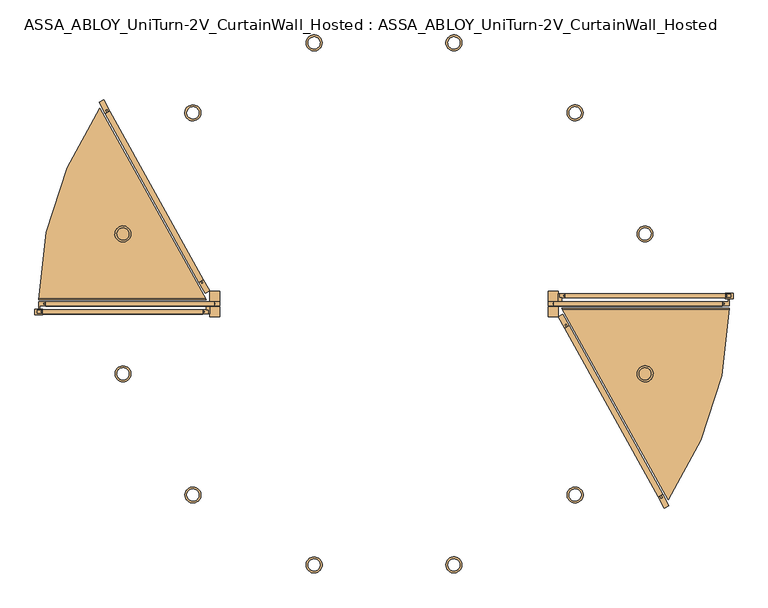
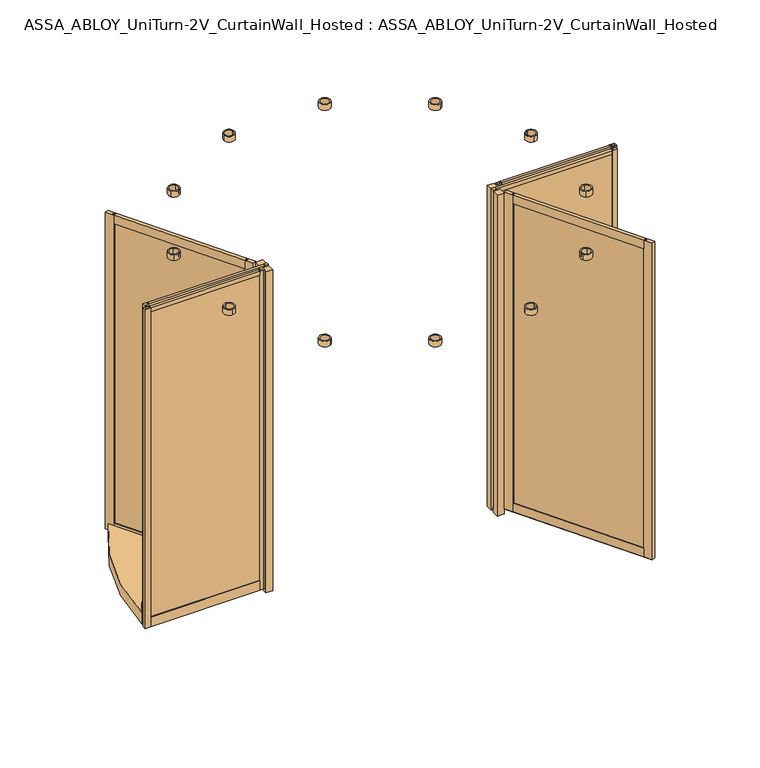
"""IFC4 building model written with IfcOpenShell, lengths in millimetres: door geometry, ASSA_ABLOY_UniTurn-2V_CurtainWall_Hosted : ASSA_ABLOY_UniTurn-2V_CurtainWall_Hosted."""

from ifc_helpers import new_model, si_unit, point, frame, frame_2d, origin, origin_with_axes, origin_2d, place, context, project, spatial, polyline, circle_curve, trimmed, segment, composite_curve, outline, extrude, source, transform, mapped, element, save


def assa_abloy_uniturn_2v_curtainwall_hosted_assa_abloy_uniturn_916e587c(model_context):
    return source(origin(), model_context, "Body", "SweptSolid", [
        extrude(outline(polyline([(1392.1036064, -967.6674676), (1383.3574093, -972.5155638), (902.349627, -104.7545538), (911.0958241, -99.9064576), (1392.1036064, -967.6674676)])), frame((0.0, 0.0, 90.0), z_axis=(0.0, 0.0, 1.0), x_axis=(1.0, 0.0, 0.0)), (0.0, 0.0, 1.0), 2343.0),
        extrude(outline(polyline([(-26.0, 0.0), (0.0, 0.0), (0.0, -65.0), (-7.9999999, -65.0), (-7.9999999, -50.0), (-17.9999999, -50.0), (-17.9999999, -65.0), (-26.0, -65.0), (-26.0, 0.0)])), frame((1369.0883074, -963.2747451, 2483.0), z_axis=(-0.48480962024633434, 0.8746197071393974, 0.0), x_axis=(-0.8746197071393974, -0.48480962024633434, 0.0)), (0.0, 0.0, 1.0), 962.1580806),
        extrude(outline(polyline([(-65.0, 0.0), (0.0, 0.0), (0.0, -26.0), (-65.0, -26.0), (-65.0, -17.9999999), (-50.0, -17.9999999), (-50.0, -7.9999999), (-65.0, -7.9999999), (-65.0, 0.0)])), frame((1369.0883074, -963.2747451, 40.0), z_axis=(-0.48480962024633434, 0.8746197071393974, 0.0), x_axis=(0.0, 0.0, -1.0)), (0.0, 0.0, 1.0), 962.1580806),
        extrude(outline(polyline([(1369.0883074, -963.2747451), (1376.085265, -959.3962682), (1383.3574093, -972.5155638), (1392.1036064, -967.6674676), (1384.8314621, -954.548172), (1391.8284198, -950.669695), (1423.3410451, -1007.519976), (1400.6009327, -1020.1250261), (1369.0883074, -963.2747451)])), frame((0.0, 0.0, 40.0), z_axis=(0.0, 0.0, 1.0), x_axis=(1.0, 0.0, 0.0)), (0.0, 0.0, 1.0), 2443.0),
        extrude(outline(polyline([(902.6248137, -121.7523264), (871.1121884, -64.9020454), (893.8523007, -52.2969953), (925.3649261, -109.1472763), (918.3679684, -113.0257532), (911.0958241, -99.9064576), (902.349627, -104.7545538), (909.6217713, -117.8738494), (902.6248137, -121.7523264)])), frame((0.0, 0.0, 40.0), z_axis=(0.0, 0.0, 1.0), x_axis=(1.0, 0.0, 0.0)), (0.0, 0.0, 1.0), 2443.0),
        extrude(outline(polyline([(870.0, 50.0), (876.0, 50.0), (876.0, 30.0), (887.75, 30.0), (887.75, 13.0), (870.0, 13.0), (870.0, 50.0)])), frame((0.0, 0.0, 24.0), z_axis=(0.0, 0.0, 1.0), x_axis=(1.0, 0.0, 0.0)), (0.0, 0.0, 1.0), 2462.0),
        extrude(outline(polyline([(1734.0, 50.0), (1704.0, 50.0), (1704.0, 54.5), (1744.0, 54.5), (1744.0, 27.0), (1704.0, 27.0), (1704.0, 30.0), (1734.0, 30.0), (1734.0, 50.0)])), frame((0.0, 0.0, 24.0), z_axis=(0.0, 0.0, 1.0), x_axis=(1.0, 0.0, 0.0)), (0.0, 0.0, 1.0), 2462.0),
        extrude(outline(polyline([(35.0, 86.0), (45.0, 86.0), (45.0, 97.0), (50.0, 97.0), (50.0, 24.0), (48.275, 24.0), (48.275, 34.35), (31.725, 34.35), (31.725, 24.0), (30.0, 24.0), (30.0, 97.0), (35.0, 97.0), (35.0, 86.0)])), frame((906.0, 0.0, 0.0), z_axis=(1.0, 0.0, 0.0), x_axis=(0.0, 1.0, 0.0)), (0.0, 0.0, 1.0), 798.0),
        extrude(outline(polyline([(1715.5, 45.0), (1715.5, 35.0), (894.5, 35.0), (894.5, 45.0), (1715.5, 45.0)])), frame((0.0, 0.0, 86.0), z_axis=(0.0, 0.0, 1.0), x_axis=(1.0, 0.0, 0.0)), (0.0, 0.0, 1.0), 2381.5),
        extrude(outline(polyline([(50.0, 2486.0), (50.0, 2456.0), (45.0, 2456.0), (45.0, 2467.5), (35.0, 2467.5), (35.0, 2456.0), (30.0, 2456.0), (30.0, 2486.0), (50.0, 2486.0)])), frame((906.0, 0.0, 0.0), z_axis=(1.0, 0.0, 0.0), x_axis=(0.0, 1.0, 0.0)), (0.0, 0.0, 1.0), 798.0),
        extrude(outline(polyline([(1704.0, 30.0), (1704.0, 35.0), (1715.5, 35.0), (1715.5, 45.0), (1704.0, 45.0), (1704.0, 50.0), (1734.0, 50.0), (1734.0, 30.0), (1704.0, 30.0)])), frame((0.0, 0.0, 24.0), z_axis=(0.0, 0.0, 1.0), x_axis=(1.0, 0.0, 0.0)), (0.0, 0.0, 1.0), 2462.0),
        extrude(outline(polyline([(906.0, 30.0), (876.0, 30.0), (876.0, 50.0), (906.0, 50.0), (906.0, 45.0), (894.5, 45.0), (894.5, 35.0), (906.0, 35.0), (906.0, 30.0)])), frame((0.0, 0.0, 24.0), z_axis=(0.0, 0.0, 1.0), x_axis=(1.0, 0.0, 0.0)), (0.0, 0.0, 1.0), 2462.0),
        extrude(outline(polyline([(-1701.5, -5.0), (-1701.5, 5.0), (-843.5, 5.0), (-843.5, -5.0), (-1701.5, -5.0)])), frame((0.0, 0.0, 63.0), z_axis=(0.0, 0.0, 1.0), x_axis=(1.0, 0.0, 0.0)), (0.0, 0.0, 1.0), 2404.5),
        extrude(outline(polyline([(-10.0, 2486.0), (10.0, 2486.0), (10.0, 2456.0), (5.0, 2456.0), (5.0, 2467.5), (-5.0, 2467.5), (-5.0, 2456.0), (-10.0, 2456.0), (-10.0, 2486.0)])), frame((-1690.0, 0.0, 0.0), z_axis=(1.0, 0.0, 0.0), x_axis=(0.0, 1.0, 0.0)), (0.0, 0.0, 1.0), 842.0),
        extrude(outline(polyline([(10.0, 74.0), (10.0, 24.0), (8.15, 24.0), (8.15, 34.5), (-8.15, 34.5), (-8.15, 24.0), (-10.0, 24.0), (-10.0, 74.0), (-5.0, 74.0), (-5.0, 63.0), (5.0, 63.0), (5.0, 74.0), (10.0, 74.0)])), frame((-1690.0, 0.0, 0.0), z_axis=(1.0, 0.0, 0.0), x_axis=(0.0, 1.0, 0.0)), (0.0, 0.0, 1.0), 842.0),
        extrude(outline(polyline([(-1690.0, 10.0), (-1690.0, 5.0), (-1701.5, 5.0), (-1701.5, -5.0), (-1690.0, -5.0), (-1690.0, -10.0), (-1719.0, -10.0), (-1719.0, -24.75), (-1726.0, -24.75), (-1726.0, 10.0), (-1690.0, 10.0)])), frame((0.0, 0.0, 24.0), z_axis=(0.0, 0.0, 1.0), x_axis=(1.0, 0.0, 0.0)), (0.0, 0.0, 1.0), 2462.0),
        extrude(outline(polyline([(-848.0, 10.0), (-820.0, 10.0), (-820.0, -10.0), (-848.0, -10.0), (-848.0, -5.0), (-843.5, -5.0), (-843.5, 5.0), (-848.0, 5.0), (-848.0, 10.0)])), frame((0.0, 0.0, 24.0), z_axis=(0.0, 0.0, 1.0), x_axis=(1.0, 0.0, 0.0)), (0.0, 0.0, 1.0), 2462.0),
        extrude(outline(polyline([(-1392.1036064, 967.6674676), (-1383.3574093, 972.5155638), (-902.349627, 104.7545538), (-911.0958241, 99.9064576), (-1392.1036064, 967.6674676)])), frame((0.0, 0.0, 90.0), z_axis=(0.0, 0.0, 1.0), x_axis=(1.0, 0.0, 0.0)), (0.0, 0.0, 1.0), 2343.0),
        extrude(outline(polyline([(26.0, 0.0), (26.0, -65.0), (18.0, -65.0), (18.0, -50.0), (8.0, -50.0), (8.0, -65.0), (0.0, -65.0), (0.0, 0.0), (26.0, 0.0)])), frame((-902.6248137, 121.7523264, 2483.0), z_axis=(-0.48480962024633434, 0.8746197071393974, 0.0), x_axis=(-0.8746197071393974, -0.48480962024633434, 0.0)), (0.0, 0.0, 1.0), 962.1580806),
        extrude(outline(polyline([(65.0, 0.0), (65.0, -8.0), (50.0, -8.0), (50.0, -18.0), (65.0, -18.0), (65.0, -26.0), (0.0, -26.0), (0.0, 0.0), (65.0, 0.0)])), frame((-902.6248137, 121.7523264, 40.0), z_axis=(-0.48480962024633434, 0.8746197071393974, 0.0), x_axis=(0.0, 0.0, 1.0)), (0.0, 0.0, 1.0), 962.1580806),
        extrude(outline(polyline([(-1369.0883074, 963.2747451), (-1376.085265, 959.3962682), (-1383.3574093, 972.5155638), (-1392.1036064, 967.6674676), (-1384.8314621, 954.548172), (-1391.8284198, 950.669695), (-1423.3410451, 1007.519976), (-1400.6009327, 1020.1250261), (-1369.0883074, 963.2747451)])), frame((0.0, 0.0, 40.0), z_axis=(0.0, 0.0, 1.0), x_axis=(1.0, 0.0, 0.0)), (0.0, 0.0, 1.0), 2443.0),
        extrude(outline(polyline([(-902.6248137, 121.7523264), (-871.1121884, 64.9020454), (-893.8523007, 52.2969953), (-925.3649261, 109.1472763), (-918.3679684, 113.0257532), (-911.0958241, 99.9064576), (-902.349627, 104.7545538), (-909.6217713, 117.8738494), (-902.6248137, 121.7523264)])), frame((0.0, 0.0, 40.0), z_axis=(0.0, 0.0, 1.0), x_axis=(1.0, 0.0, 0.0)), (0.0, 0.0, 1.0), 2443.0),
        extrude(outline(polyline([(-870.0, -50.0), (-876.0, -50.0), (-876.0, -30.0), (-887.75, -30.0), (-887.75, -13.0), (-870.0, -13.0), (-870.0, -50.0)])), frame((0.0, 0.0, 24.0), z_axis=(0.0, 0.0, 1.0), x_axis=(1.0, 0.0, 0.0)), (0.0, 0.0, 1.0), 2462.0),
        extrude(outline(polyline([(-1734.0, -50.0), (-1704.0, -50.0), (-1704.0, -54.5), (-1744.0, -54.5), (-1744.0, -27.0), (-1704.0, -27.0), (-1704.0, -30.0), (-1734.0, -30.0), (-1734.0, -50.0)])), frame((0.0, 0.0, 24.0), z_axis=(0.0, 0.0, 1.0), x_axis=(1.0, 0.0, 0.0)), (0.0, 0.0, 1.0), 2462.0),
        extrude(outline(polyline([(-35.0, 86.0), (-35.0, 97.0), (-30.0, 97.0), (-30.0, 24.0), (-31.725, 24.0), (-31.725, 34.35), (-48.275, 34.35), (-48.275, 24.0), (-50.0, 24.0), (-50.0, 97.0), (-45.0, 97.0), (-45.0, 86.0), (-35.0, 86.0)])), frame((-1704.0, 0.0, 0.0), z_axis=(1.0, 0.0, 0.0), x_axis=(0.0, 1.0, 0.0)), (0.0, 0.0, 1.0), 798.0),
        extrude(outline(polyline([(-1715.5, -45.0), (-1715.5, -35.0), (-894.5, -35.0), (-894.5, -45.0), (-1715.5, -45.0)])), frame((0.0, 0.0, 86.0), z_axis=(0.0, 0.0, 1.0), x_axis=(1.0, 0.0, 0.0)), (0.0, 0.0, 1.0), 2381.5),
        extrude(outline(polyline([(-50.0, 2486.0), (-30.0, 2486.0), (-30.0, 2456.0), (-35.0, 2456.0), (-35.0, 2467.5), (-45.0, 2467.5), (-45.0, 2456.0), (-50.0, 2456.0), (-50.0, 2486.0)])), frame((-1704.0, 0.0, 0.0), z_axis=(1.0, 0.0, 0.0), x_axis=(0.0, 1.0, 0.0)), (0.0, 0.0, 1.0), 798.0),
        extrude(outline(polyline([(-1704.0, -30.0), (-1704.0, -35.0), (-1715.5, -35.0), (-1715.5, -45.0), (-1704.0, -45.0), (-1704.0, -50.0), (-1734.0, -50.0), (-1734.0, -30.0), (-1704.0, -30.0)])), frame((0.0, 0.0, 24.0), z_axis=(0.0, 0.0, 1.0), x_axis=(1.0, 0.0, 0.0)), (0.0, 0.0, 1.0), 2462.0),
        extrude(outline(polyline([(-906.0, -30.0), (-876.0, -30.0), (-876.0, -50.0), (-906.0, -50.0), (-906.0, -45.0), (-894.5, -45.0), (-894.5, -35.0), (-906.0, -35.0), (-906.0, -30.0)])), frame((0.0, 0.0, 24.0), z_axis=(0.0, 0.0, 1.0), x_axis=(1.0, 0.0, 0.0)), (0.0, 0.0, 1.0), 2462.0),
        extrude(outline(polyline([(1701.5, 5.0), (1701.5, -5.0), (843.5, -5.0), (843.5, 5.0), (1701.5, 5.0)])), frame((0.0, 0.0, 63.0), z_axis=(0.0, 0.0, 1.0), x_axis=(1.0, 0.0, 0.0)), (0.0, 0.0, 1.0), 2404.5),
        extrude(outline(polyline([(10.0, 2486.0), (10.0, 2456.0), (5.0, 2456.0), (5.0, 2467.5), (-5.0, 2467.5), (-5.0, 2456.0), (-10.0, 2456.0), (-10.0, 2486.0), (10.0, 2486.0)])), frame((848.0, 0.0, 0.0), z_axis=(1.0, 0.0, 0.0), x_axis=(0.0, 1.0, 0.0)), (0.0, 0.0, 1.0), 842.0),
        extrude(outline(polyline([(-10.0, 74.0), (-5.0, 74.0), (-5.0, 63.0), (5.0, 63.0), (5.0, 74.0), (10.0, 74.0), (10.0, 24.0), (8.15, 24.0), (8.15, 34.5), (-8.15, 34.5), (-8.15, 24.0), (-10.0, 24.0), (-10.0, 74.0)])), frame((848.0, 0.0, 0.0), z_axis=(1.0, 0.0, 0.0), x_axis=(0.0, 1.0, 0.0)), (0.0, 0.0, 1.0), 842.0),
        extrude(outline(polyline([(1690.0, -10.0), (1690.0, -5.0), (1701.5, -5.0), (1701.5, 5.0), (1690.0, 5.0), (1690.0, 10.0), (1719.0, 10.0), (1719.0, 24.75), (1726.0, 24.75), (1726.0, -10.0), (1690.0, -10.0)])), frame((0.0, 0.0, 24.0), z_axis=(0.0, 0.0, 1.0), x_axis=(1.0, 0.0, 0.0)), (0.0, 0.0, 1.0), 2462.0),
        extrude(outline(polyline([(848.0, -10.0), (820.0, -10.0), (820.0, 10.0), (848.0, 10.0), (848.0, 5.0), (843.5, 5.0), (843.5, -5.0), (848.0, -5.0), (848.0, -10.0)])), frame((0.0, 0.0, 24.0), z_axis=(0.0, 0.0, 1.0), x_axis=(1.0, 0.0, 0.0)), (0.0, 0.0, 1.0), 2462.0),
        extrude(outline(composite_curve([segment(trimmed(circle_curve(origin_2d(), 1724.0), [point((1723.8839868, -20.0))], [point((1723.818726, -25.0))], False, "CARTESIAN"), True, "CONTINUOUS"), segment(polyline([(1723.818726, -25.0), (890.1548698, -25.0), (887.3833246, -20.0), (1723.8839868, -20.0)]), True, "CONTINUOUS")], self_intersect=False)), frame((0.0, 0.0, 95.0), z_axis=(0.0, 0.0, 1.0), x_axis=(1.0, 0.0, 0.0)), (0.0, 0.0, 1.0), 75.0),
        extrude(outline(composite_curve([segment(trimmed(circle_curve(origin_2d(), 1724.0), [point((-1723.8839868, 20.0))], [point((-1723.7922237, 26.765081))], False, "CARTESIAN"), True, "CONTINUOUS"), segment(polyline([(-1723.7922237, 26.765081), (-891.1332702, 26.765081), (-887.3833246, 20.0), (-1723.8839868, 20.0)]), True, "CONTINUOUS")], self_intersect=False)), frame((0.0, 0.0, 95.0), z_axis=(0.0, 0.0, 1.0), x_axis=(1.0, 0.0, 0.0)), (0.0, 0.0, 1.0), 75.0),
        extrude(outline(composite_curve([segment(polyline([(1419.0082967, -979.0768376), (887.3833246, -20.0), (1723.8839868, -20.0)]), True, "CONTINUOUS"), segment(trimmed(circle_curve(origin_2d(), 1724.0), [point((1723.8839868, -20.0))], [point((1419.0082967, -979.0768376))], False, "CARTESIAN"), True, "CONTINUOUS")], self_intersect=False)), frame((0.0, 0.0, 8.0), z_axis=(0.0, 0.0, 1.0), x_axis=(1.0, 0.0, 0.0)), (0.0, 0.0, 1.0), 87.0),
        extrude(outline(composite_curve([segment(trimmed(circle_curve(origin_2d(), 1724.0), [point((-1723.8839868, 20.0))], [point((-1419.0082967, 979.0768376))], False, "CARTESIAN"), True, "CONTINUOUS"), segment(polyline([(-1419.0082967, 979.0768376), (-887.3833246, 20.0), (-1723.8839868, 20.0)]), True, "CONTINUOUS")], self_intersect=False)), frame((0.0, 0.0, 8.0), z_axis=(0.0, 0.0, 1.0), x_axis=(1.0, 0.0, 0.0)), (0.0, 0.0, 1.0), 87.0),
        extrude(outline(polyline([(820.0, 13.0), (820.0, 63.0), (870.0, 63.0), (870.0, 13.0), (820.0, 13.0)])), origin_with_axes(), (0.0, 0.0, 1.0), 2477.0),
        extrude(outline(polyline([(820.0, -63.0), (820.0, -13.0), (870.0, -13.0), (870.0, -63.0), (820.0, -63.0)])), origin_with_axes(), (0.0, 0.0, 1.0), 2477.0),
        extrude(outline(polyline([(-870.0, -63.0), (-870.0, -13.0), (-820.0, -13.0), (-820.0, -63.0), (-870.0, -63.0)])), origin_with_axes(), (0.0, 0.0, 1.0), 2477.0),
        extrude(outline(polyline([(-870.0, 13.0), (-870.0, 63.0), (-820.0, 63.0), (-820.0, 13.0), (-870.0, 13.0)])), origin_with_axes(), (0.0, 0.0, 1.0), 2477.0),
        extrude(outline(composite_curve([segment(trimmed(circle_curve(frame_2d((-954.5941546, -954.5941546)), 40.0), [point((-934.5941546, -989.2351708))], [point((-974.5941546, -919.9531385))], False, "CARTESIAN"), True, "CONTINUOUS"), segment(trimmed(circle_curve(frame_2d((-954.5941546, -954.5941546)), 40.0), [point((-974.5941546, -919.9531385))], [point((-934.5941546, -989.2351708))], False, "CARTESIAN"), True, "CONTINUOUS")], self_intersect=False), holes=[composite_curve([segment(trimmed(circle_curve(frame_2d((-954.5941546, -954.5941546)), 30.0), [point((-975.807358, -933.3809512))], [point((-933.3809512, -975.807358))], True, "CARTESIAN"), True, "CONTINUOUS"), segment(trimmed(circle_curve(frame_2d((-954.5941546, -954.5941546)), 30.0), [point((-933.3809512, -975.807358))], [point((-975.807358, -933.3809512))], True, "CARTESIAN"), True, "CONTINUOUS")], self_intersect=False)]), frame((0.0, 0.0, 2496.2), z_axis=(0.0, 0.0, 1.0), x_axis=(1.0, 0.0, 0.0)), (0.0, 0.0, 1.0), 42.8),
        extrude(outline(composite_curve([segment(trimmed(circle_curve(frame_2d((-1303.9998655, -349.4057109)), 40.0), [point((-1303.9998655, -389.4057109))], [point((-1303.9998655, -309.4057109))], False, "CARTESIAN"), True, "CONTINUOUS"), segment(trimmed(circle_curve(frame_2d((-1303.9998655, -349.4057109)), 40.0), [point((-1303.9998655, -309.4057109))], [point((-1303.9998655, -389.4057109))], False, "CARTESIAN"), True, "CONTINUOUS")], self_intersect=False), holes=[composite_curve([segment(trimmed(circle_curve(frame_2d((-1303.9998655, -349.4057109)), 30.0), [point((-1311.7644368, -320.4279361))], [point((-1296.2352941, -378.3834857))], True, "CARTESIAN"), True, "CONTINUOUS"), segment(trimmed(circle_curve(frame_2d((-1303.9998655, -349.4057109)), 30.0), [point((-1296.2352941, -378.3834857))], [point((-1311.7644368, -320.4279361))], True, "CARTESIAN"), True, "CONTINUOUS")], self_intersect=False)]), frame((0.0, 0.0, 2496.2), z_axis=(0.0, 0.0, 1.0), x_axis=(1.0, 0.0, 0.0)), (0.0, 0.0, 1.0), 42.8),
        extrude(outline(composite_curve([segment(trimmed(circle_curve(frame_2d((-1303.9998655, 349.4057109)), 40.0), [point((-1323.9998655, 314.7646947))], [point((-1283.9998655, 384.046727))], False, "CARTESIAN"), True, "CONTINUOUS"), segment(trimmed(circle_curve(frame_2d((-1303.9998655, 349.4057109)), 40.0), [point((-1283.9998655, 384.046727))], [point((-1323.9998655, 314.7646947))], False, "CARTESIAN"), True, "CONTINUOUS")], self_intersect=False), holes=[composite_curve([segment(trimmed(circle_curve(frame_2d((-1303.9998655, 349.4057109)), 30.0), [point((-1296.2352941, 378.3834857))], [point((-1311.7644368, 320.4279361))], True, "CARTESIAN"), True, "CONTINUOUS"), segment(trimmed(circle_curve(frame_2d((-1303.9998655, 349.4057109)), 30.0), [point((-1311.7644368, 320.4279361))], [point((-1296.2352941, 378.3834857))], True, "CARTESIAN"), True, "CONTINUOUS")], self_intersect=False)]), frame((0.0, 0.0, 2496.2), z_axis=(0.0, 0.0, 1.0), x_axis=(1.0, 0.0, 0.0)), (0.0, 0.0, 1.0), 42.8),
        extrude(outline(composite_curve([segment(trimmed(circle_curve(frame_2d((-954.5941546, 954.5941546)), 40.0), [point((-989.2351708, 934.5941546))], [point((-919.9531385, 974.5941546))], False, "CARTESIAN"), True, "CONTINUOUS"), segment(trimmed(circle_curve(frame_2d((-954.5941546, 954.5941546)), 40.0), [point((-919.9531385, 974.5941546))], [point((-989.2351708, 934.5941546))], False, "CARTESIAN"), True, "CONTINUOUS")], self_intersect=False), holes=[composite_curve([segment(trimmed(circle_curve(frame_2d((-954.5941546, 954.5941546)), 30.0), [point((-933.3809512, 975.807358))], [point((-975.807358, 933.3809512))], True, "CARTESIAN"), True, "CONTINUOUS"), segment(trimmed(circle_curve(frame_2d((-954.5941546, 954.5941546)), 30.0), [point((-975.807358, 933.3809512))], [point((-933.3809512, 975.807358))], True, "CARTESIAN"), True, "CONTINUOUS")], self_intersect=False)]), frame((0.0, 0.0, 2496.2), z_axis=(0.0, 0.0, 1.0), x_axis=(1.0, 0.0, 0.0)), (0.0, 0.0, 1.0), 42.8),
        extrude(outline(composite_curve([segment(trimmed(circle_curve(frame_2d((-349.4057109, 1303.9998655)), 40.0), [point((-389.4057109, 1303.9998655))], [point((-309.4057109, 1303.9998655))], False, "CARTESIAN"), True, "CONTINUOUS"), segment(trimmed(circle_curve(frame_2d((-349.4057109, 1303.9998655)), 40.0), [point((-309.4057109, 1303.9998655))], [point((-389.4057109, 1303.9998655))], False, "CARTESIAN"), True, "CONTINUOUS")], self_intersect=False), holes=[composite_curve([segment(trimmed(circle_curve(frame_2d((-349.4057109, 1303.9998655)), 30.0), [point((-320.4279361, 1311.7644368))], [point((-378.3834857, 1296.2352941))], True, "CARTESIAN"), True, "CONTINUOUS"), segment(trimmed(circle_curve(frame_2d((-349.4057109, 1303.9998655)), 30.0), [point((-378.3834857, 1296.2352941))], [point((-320.4279361, 1311.7644368))], True, "CARTESIAN"), True, "CONTINUOUS")], self_intersect=False)]), frame((0.0, 0.0, 2496.2), z_axis=(0.0, 0.0, 1.0), x_axis=(1.0, 0.0, 0.0)), (0.0, 0.0, 1.0), 42.8),
        extrude(outline(composite_curve([segment(trimmed(circle_curve(frame_2d((349.4057109, 1303.9998655)), 40.0), [point((314.7646947, 1323.9998655))], [point((384.046727, 1283.9998655))], False, "CARTESIAN"), True, "CONTINUOUS"), segment(trimmed(circle_curve(frame_2d((349.4057109, 1303.9998655)), 40.0), [point((384.046727, 1283.9998655))], [point((314.7646947, 1323.9998655))], False, "CARTESIAN"), True, "CONTINUOUS")], self_intersect=False), holes=[composite_curve([segment(trimmed(circle_curve(frame_2d((349.4057109, 1303.9998655)), 30.0), [point((378.3834857, 1296.2352941))], [point((320.4279361, 1311.7644368))], True, "CARTESIAN"), True, "CONTINUOUS"), segment(trimmed(circle_curve(frame_2d((349.4057109, 1303.9998655)), 30.0), [point((320.4279361, 1311.7644368))], [point((378.3834857, 1296.2352941))], True, "CARTESIAN"), True, "CONTINUOUS")], self_intersect=False)]), frame((0.0, 0.0, 2496.2), z_axis=(0.0, 0.0, 1.0), x_axis=(1.0, 0.0, 0.0)), (0.0, 0.0, 1.0), 42.8),
        extrude(outline(composite_curve([segment(trimmed(circle_curve(frame_2d((954.5941546, 954.5941546)), 40.0), [point((934.5941546, 989.2351708))], [point((974.5941546, 919.9531385))], False, "CARTESIAN"), True, "CONTINUOUS"), segment(trimmed(circle_curve(frame_2d((954.5941546, 954.5941546)), 40.0), [point((974.5941546, 919.9531385))], [point((934.5941546, 989.2351708))], False, "CARTESIAN"), True, "CONTINUOUS")], self_intersect=False), holes=[composite_curve([segment(trimmed(circle_curve(frame_2d((954.5941546, 954.5941546)), 30.0), [point((975.807358, 933.3809512))], [point((933.3809512, 975.807358))], True, "CARTESIAN"), True, "CONTINUOUS"), segment(trimmed(circle_curve(frame_2d((954.5941546, 954.5941546)), 30.0), [point((933.3809512, 975.807358))], [point((975.807358, 933.3809512))], True, "CARTESIAN"), True, "CONTINUOUS")], self_intersect=False)]), frame((0.0, 0.0, 2496.2), z_axis=(0.0, 0.0, 1.0), x_axis=(1.0, 0.0, 0.0)), (0.0, 0.0, 1.0), 42.8),
        extrude(outline(composite_curve([segment(trimmed(circle_curve(frame_2d((1303.9998655, 349.4057109)), 40.0), [point((1303.9998655, 389.4057109))], [point((1303.9998655, 309.4057109))], False, "CARTESIAN"), True, "CONTINUOUS"), segment(trimmed(circle_curve(frame_2d((1303.9998655, 349.4057109)), 40.0), [point((1303.9998655, 309.4057109))], [point((1303.9998655, 389.4057109))], False, "CARTESIAN"), True, "CONTINUOUS")], self_intersect=False), holes=[composite_curve([segment(trimmed(circle_curve(frame_2d((1303.9998655, 349.4057109)), 30.0), [point((1311.7644368, 320.4279361))], [point((1296.2352941, 378.3834857))], True, "CARTESIAN"), True, "CONTINUOUS"), segment(trimmed(circle_curve(frame_2d((1303.9998655, 349.4057109)), 30.0), [point((1296.2352941, 378.3834857))], [point((1311.7644368, 320.4279361))], True, "CARTESIAN"), True, "CONTINUOUS")], self_intersect=False)]), frame((0.0, 0.0, 2496.2), z_axis=(0.0, 0.0, 1.0), x_axis=(1.0, 0.0, 0.0)), (0.0, 0.0, 1.0), 42.8),
        extrude(outline(composite_curve([segment(trimmed(circle_curve(frame_2d((1303.9998655, -349.4057109)), 40.0), [point((1323.9998655, -314.7646947))], [point((1283.9998655, -384.046727))], False, "CARTESIAN"), True, "CONTINUOUS"), segment(trimmed(circle_curve(frame_2d((1303.9998655, -349.4057109)), 40.0), [point((1283.9998655, -384.046727))], [point((1323.9998655, -314.7646947))], False, "CARTESIAN"), True, "CONTINUOUS")], self_intersect=False), holes=[composite_curve([segment(trimmed(circle_curve(frame_2d((1303.9998655, -349.4057109)), 30.0), [point((1296.2352941, -378.3834857))], [point((1311.7644368, -320.4279361))], True, "CARTESIAN"), True, "CONTINUOUS"), segment(trimmed(circle_curve(frame_2d((1303.9998655, -349.4057109)), 30.0), [point((1311.7644368, -320.4279361))], [point((1296.2352941, -378.3834857))], True, "CARTESIAN"), True, "CONTINUOUS")], self_intersect=False)]), frame((0.0, 0.0, 2496.2), z_axis=(0.0, 0.0, 1.0), x_axis=(1.0, 0.0, 0.0)), (0.0, 0.0, 1.0), 42.8),
        extrude(outline(composite_curve([segment(trimmed(circle_curve(frame_2d((954.5941546, -954.5941546)), 40.0), [point((989.2351708, -934.5941546))], [point((919.9531385, -974.5941546))], False, "CARTESIAN"), True, "CONTINUOUS"), segment(trimmed(circle_curve(frame_2d((954.5941546, -954.5941546)), 40.0), [point((919.9531385, -974.5941546))], [point((989.2351708, -934.5941546))], False, "CARTESIAN"), True, "CONTINUOUS")], self_intersect=False), holes=[composite_curve([segment(trimmed(circle_curve(frame_2d((954.5941546, -954.5941546)), 30.0), [point((933.3809512, -975.807358))], [point((975.807358, -933.3809512))], True, "CARTESIAN"), True, "CONTINUOUS"), segment(trimmed(circle_curve(frame_2d((954.5941546, -954.5941546)), 30.0), [point((975.807358, -933.3809512))], [point((933.3809512, -975.807358))], True, "CARTESIAN"), True, "CONTINUOUS")], self_intersect=False)]), frame((0.0, 0.0, 2496.2), z_axis=(0.0, 0.0, 1.0), x_axis=(1.0, 0.0, 0.0)), (0.0, 0.0, 1.0), 42.8),
        extrude(outline(composite_curve([segment(trimmed(circle_curve(frame_2d((349.4057109, -1303.9998655)), 40.0), [point((389.4057109, -1303.9998655))], [point((309.4057109, -1303.9998655))], False, "CARTESIAN"), True, "CONTINUOUS"), segment(trimmed(circle_curve(frame_2d((349.4057109, -1303.9998655)), 40.0), [point((309.4057109, -1303.9998655))], [point((389.4057109, -1303.9998655))], False, "CARTESIAN"), True, "CONTINUOUS")], self_intersect=False), holes=[composite_curve([segment(trimmed(circle_curve(frame_2d((349.4057109, -1303.9998655)), 30.0), [point((320.4279361, -1311.7644368))], [point((378.3834857, -1296.2352941))], True, "CARTESIAN"), True, "CONTINUOUS"), segment(trimmed(circle_curve(frame_2d((349.4057109, -1303.9998655)), 30.0), [point((378.3834857, -1296.2352941))], [point((320.4279361, -1311.7644368))], True, "CARTESIAN"), True, "CONTINUOUS")], self_intersect=False)]), frame((0.0, 0.0, 2496.2), z_axis=(0.0, 0.0, 1.0), x_axis=(1.0, 0.0, 0.0)), (0.0, 0.0, 1.0), 42.8),
        extrude(outline(composite_curve([segment(trimmed(circle_curve(frame_2d((-349.4057109, -1303.9998655)), 40.0), [point((-314.7646947, -1323.9998655))], [point((-384.046727, -1283.9998655))], False, "CARTESIAN"), True, "CONTINUOUS"), segment(trimmed(circle_curve(frame_2d((-349.4057109, -1303.9998655)), 40.0), [point((-384.046727, -1283.9998655))], [point((-314.7646947, -1323.9998655))], False, "CARTESIAN"), True, "CONTINUOUS")], self_intersect=False), holes=[composite_curve([segment(trimmed(circle_curve(frame_2d((-349.4057109, -1303.9998655)), 30.0), [point((-378.3834857, -1296.2352941))], [point((-320.4279361, -1311.7644368))], True, "CARTESIAN"), True, "CONTINUOUS"), segment(trimmed(circle_curve(frame_2d((-349.4057109, -1303.9998655)), 30.0), [point((-320.4279361, -1311.7644368))], [point((-378.3834857, -1296.2352941))], True, "CARTESIAN"), True, "CONTINUOUS")], self_intersect=False)]), frame((0.0, 0.0, 2496.2), z_axis=(0.0, 0.0, 1.0), x_axis=(1.0, 0.0, 0.0)), (0.0, 0.0, 1.0), 42.8),
    ])


if __name__ == "__main__":
    model = new_model("IFC4")
    model_context = context("Model", 3, world=origin())
    ifc_project = project(units=[si_unit("LENGTHUNIT", "METRE", prefix="MILLI")], contexts=[model_context])
    site = spatial("IfcSite", under=ifc_project)
    building = spatial("IfcBuilding", under=site)
    placement = place(None, origin())
    assa_abloy_uniturn_2v_curtainwall_hosted_assa_abloy_uniturn_shape = assa_abloy_uniturn_2v_curtainwall_hosted_assa_abloy_uniturn_916e587c(model_context)
    element("IfcDoor", 1, ObjectType="ASSA_ABLOY_UniTurn-2V_CurtainWall_Hosted : ASSA_ABLOY_UniTurn-2V_CurtainWall_Hosted", at=placement, inside=building, context=model_context, shape_type="MappedRepresentation", body=[
        mapped(assa_abloy_uniturn_2v_curtainwall_hosted_assa_abloy_uniturn_shape, transform((0.0, 0.0, 0.0), x_axis=(1.0, 0.0, 0.0), y_axis=(0.0, 1.0, 0.0), z_axis=(0.0, 0.0, 1.0))),
    ])
    save(model, "model.ifc")
